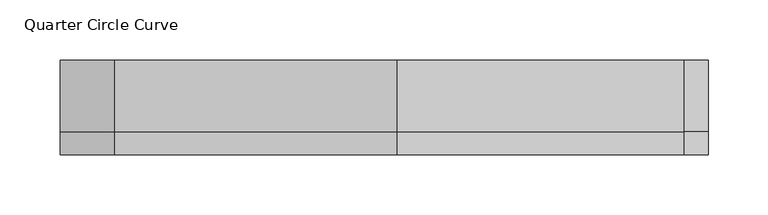
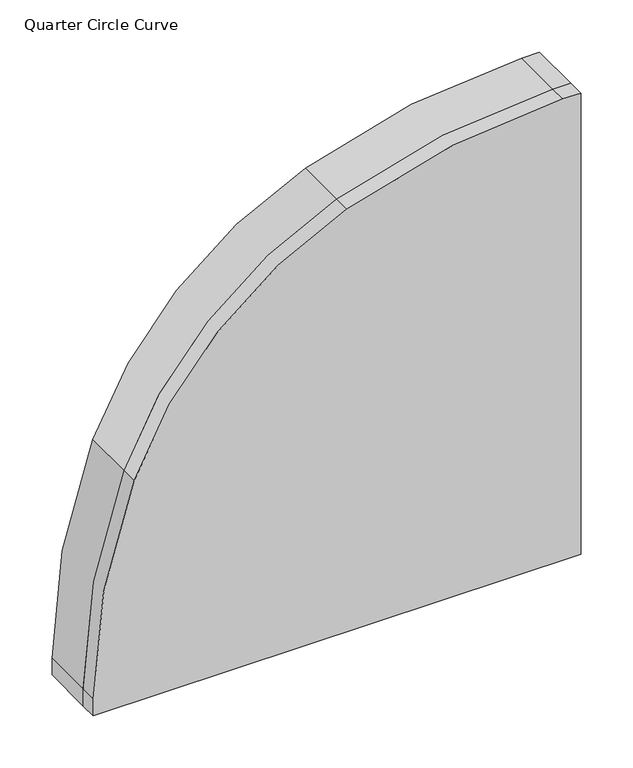
"""IFC4 building model written with IfcOpenShell, lengths in millimetres: furniture geometry, Quarter Circle Curve."""

import ifcopenshell
import ifcopenshell.guid

model = None  # the IFC model being written
_history = None  # IfcOwnerHistory: only IFC2X3 demands one
_inside = {}  # id of a spatial element -> (the spatial element, [elements in it])
_under = {}  # id of a project, library or spatial element -> (it, [spatial elements below it])
_declared = {}  # id of a project -> (the project, [libraries it declares])
_typed = {}  # id of a type object -> (the type object, [elements of that type])
_made_of = {}  # id of a material, layer set ... -> (it, [elements and type objects made of it])


def new_model(schema):
    """Start an empty IFC model of exactly this schema.

    Asked for "IFC4X3", IfcOpenShell would pick the latest addendum, in which some entities
    have other attributes; the version numbers below select the first issue.
    IFC2X3 requires an IfcOwnerHistory on every rooted entity: one is made here for all.
    """
    global model, _history
    if schema == "IFC4X3":
        model = ifcopenshell.file(schema_version=(4, 3, 0, 0))
    else:
        model = ifcopenshell.file(schema=schema)
    _inside.clear()
    _under.clear()
    _declared.clear()
    _typed.clear()
    _made_of.clear()
    _history = None
    if model.schema == "IFC2X3":
        org = make("IfcOrganization", Name="unknown")
        user = make(
            "IfcPersonAndOrganization",
            ThePerson=make("IfcPerson", FamilyName="unknown"),
            TheOrganization=org,
        )
        app = make(
            "IfcApplication",
            ApplicationDeveloper=org,
            Version="unknown",
            ApplicationFullName="unknown",
            ApplicationIdentifier="unknown",
        )
        _history = make(
            "IfcOwnerHistory",
            OwningUser=user,
            OwningApplication=app,
            ChangeAction="ADDED",
            CreationDate=0,
        )
    return model


def make(cls, **values):
    """One entity of the class cls with the attributes given. An attribute that is None is left unset."""
    return model.create_entity(
        cls, **{name: value for name, value in values.items() if value is not None}
    )


def rooted(cls, **values):
    """An entity with a GlobalId (a new one), such as an element, a storey or a relation."""
    return make(cls, GlobalId=ifcopenshell.guid.new(), OwnerHistory=_history, **values)


def si_unit(unit_type, name, prefix=None):
    """IfcSIUnit, for example si_unit("LENGTHUNIT", "METRE", prefix="MILLI")."""
    return make("IfcSIUnit", UnitType=unit_type, Prefix=prefix, Name=name)


def assignment(units):
    """IfcUnitAssignment: the units of a project."""
    return None if units is None else make("IfcUnitAssignment", Units=units)


def point(xyz):
    """IfcCartesianPoint."""
    return None if xyz is None else make("IfcCartesianPoint", Coordinates=xyz)


def direction(xyz):
    """IfcDirection."""
    return None if xyz is None else make("IfcDirection", DirectionRatios=xyz)


def frame(location, z_axis=None, x_axis=None):
    """IfcAxis2Placement3D, a coordinate frame: its origin and axes. An axis left out is left unset."""
    return make(
        "IfcAxis2Placement3D",
        Location=point(location),
        Axis=direction(z_axis),
        RefDirection=direction(x_axis),
    )


def frame_2d(location, x_axis=None):
    """IfcAxis2Placement2D, a coordinate frame in the plane: its origin and x axis."""
    return make(
        "IfcAxis2Placement2D", Location=point(location), RefDirection=direction(x_axis)
    )


def origin():
    """The frame at (0, 0, 0) with its axes left unset."""
    return frame((0.0, 0.0, 0.0))


def place(relative_to, where):
    """IfcLocalPlacement: puts the frame where relative to a parent placement (None: the world)."""
    return make(
        "IfcLocalPlacement", PlacementRelTo=relative_to, RelativePlacement=where
    )


def context(
    kind, dimensions, precision=None, world=None, true_north=None, identifier=None
):
    """IfcGeometricRepresentationContext, for example the 3D "Model" context."""
    return make(
        "IfcGeometricRepresentationContext",
        ContextIdentifier=identifier,
        ContextType=kind,
        CoordinateSpaceDimension=dimensions,
        Precision=precision,
        WorldCoordinateSystem=world,
        TrueNorth=true_north,
    )


def project(units=None, contexts=None):
    """IfcProject with its units and contexts."""
    return rooted(
        "IfcProject",
        Name="project",
        RepresentationContexts=contexts,
        UnitsInContext=assignment(units),
    )


def spatial(cls, under=None, at=None, **own):
    """A site, building, storey or space (cls), placed at a placement, below another one or the project."""
    s = rooted(cls, ObjectPlacement=at, **own)
    if under is not None:
        _under.setdefault(under.id(), (under, []))[1].append(s)
    return s


def polyline(points):
    """IfcPolyline through the points."""
    return make("IfcPolyline", Points=[point(p) for p in points])


def circle_curve(where, radius):
    """IfcCircle in the frame where."""
    return make("IfcCircle", Position=where, Radius=radius)


def ellipse_curve(where, semi_axis1, semi_axis2):
    """IfcEllipse in the frame where."""
    return make(
        "IfcEllipse", Position=where, SemiAxis1=semi_axis1, SemiAxis2=semi_axis2
    )


def trimmed(basis, trim1, trim2, sense, master):
    """IfcTrimmedCurve: the piece of a basis curve between two trims."""
    return make(
        "IfcTrimmedCurve",
        BasisCurve=basis,
        Trim1=trim1,
        Trim2=trim2,
        SenseAgreement=sense,
        MasterRepresentation=master,
    )


def segment(curve, same_sense, transition):
    """IfcCompositeCurveSegment."""
    return make(
        "IfcCompositeCurveSegment",
        Transition=transition,
        SameSense=same_sense,
        ParentCurve=curve,
    )


def composite_curve(segments, self_intersect=None):
    """IfcCompositeCurve: segments joined end to end."""
    return make("IfcCompositeCurve", Segments=segments, SelfIntersect=self_intersect)


def outline(outer, holes=None, kind="AREA"):
    """IfcArbitraryClosedProfileDef: a profile drawn as a closed curve; with holes, ...WithVoids."""
    if holes is None:
        return make("IfcArbitraryClosedProfileDef", ProfileType=kind, OuterCurve=outer)
    return make(
        "IfcArbitraryProfileDefWithVoids",
        ProfileType=kind,
        OuterCurve=outer,
        InnerCurves=holes,
    )


def extrude(swept, where, along, depth):
    """IfcExtrudedAreaSolid: the profile swept, set in the frame where, extruded along a direction by depth."""
    return make(
        "IfcExtrudedAreaSolid",
        SweptArea=swept,
        Position=where,
        ExtrudedDirection=direction(along),
        Depth=depth,
    )


def shape(context_of_items, identifier, shape_type, items):
    """IfcShapeRepresentation: the items that make up one representation, for example the "Body"."""
    return make(
        "IfcShapeRepresentation",
        ContextOfItems=context_of_items,
        RepresentationIdentifier=identifier,
        RepresentationType=shape_type,
        Items=items,
    )


def source(mapping_origin, context_of_items, identifier, shape_type, items):
    """IfcRepresentationMap: a shape defined once, which mapped items show again and again."""
    return make(
        "IfcRepresentationMap",
        MappingOrigin=mapping_origin,
        MappedRepresentation=shape(context_of_items, identifier, shape_type, items),
    )


def transform(
    local_origin,
    x_axis=None,
    y_axis=None,
    z_axis=None,
    scale=None,
    scale2=None,
    scale3=None,
    uniform=True,
):
    """IfcCartesianTransformationOperator3D, or its non-uniform kind. x_axis, y_axis, z_axis: its Axis1, 2, 3."""
    if uniform:
        return make(
            "IfcCartesianTransformationOperator3D",
            Axis1=direction(x_axis),
            Axis2=direction(y_axis),
            LocalOrigin=point(local_origin),
            Scale=scale,
            Axis3=direction(z_axis),
        )
    return make(
        "IfcCartesianTransformationOperator3DnonUniform",
        Axis1=direction(x_axis),
        Axis2=direction(y_axis),
        LocalOrigin=point(local_origin),
        Scale=scale,
        Axis3=direction(z_axis),
        Scale2=scale2,
        Scale3=scale3,
    )


def mapped(mapping_source, mapping_target):
    """IfcMappedItem: shows the shape of a source again, moved by a transform."""
    return make(
        "IfcMappedItem", MappingSource=mapping_source, MappingTarget=mapping_target
    )


def made_of(thing, what):
    """Note that an element or type object is made of a material, layer set ...; save() writes the relation."""
    if what is not None:
        _made_of.setdefault(what.id(), (what, []))[1].append(thing)
    return thing


def element(
    cls,
    number,
    at=None,
    inside=None,
    cuts=None,
    type_object=None,
    material=None,
    context=None,
    identifier="Body",
    shape_type=None,
    held_by="IfcProductDefinitionShape",
    body=None,
    shapes=None,
    **own,
):
    """One element of the class cls, such as IfcWall. Its Tag is "e" and its number.

    at: its placement. inside: the storey or other place that contains it. cuts: it is an
    opening in that element (IfcRelVoidsElement). A single representation is given by context,
    identifier, shape_type and body (its items); several are given by shapes. held_by: the class
    of the entity that holds the representations. save() writes the other relations.
    """
    e = rooted(cls, Tag="e%d" % number, ObjectPlacement=at, **own)
    if body is not None:
        shapes = [shape(context, identifier, shape_type, body)]
    if shapes is not None:
        e.Representation = make(held_by, Representations=shapes)
    if inside is not None:
        _inside.setdefault(inside.id(), (inside, []))[1].append(e)
    if cuts is not None:
        rooted(
            "IfcRelVoidsElement", RelatingBuildingElement=cuts, RelatedOpeningElement=e
        )
    if type_object is not None:
        _typed.setdefault(type_object.id(), (type_object, []))[1].append(e)
    return made_of(e, material)


def aggregate(whole, parts):
    """IfcRelAggregates: a whole, such as a stair, and the parts it consists of."""
    return rooted("IfcRelAggregates", RelatingObject=whole, RelatedObjects=parts)


def save(model, path):
    """Write the relations noted so far, then the file.

    IfcRelAggregates (storeys below a building ...), IfcRelContainedInSpatialStructure (elements
    in a storey), IfcRelDefinesByType, IfcRelAssociatesMaterial and IfcRelDeclares: one each for
    every whole, place, type object, material and project.
    """
    for whole, parts in _under.values():
        aggregate(whole, parts)
    for where, things in _inside.values():
        rooted(
            "IfcRelContainedInSpatialStructure",
            RelatedElements=things,
            RelatingStructure=where,
        )
    for kind, things in _typed.values():
        rooted("IfcRelDefinesByType", RelatedObjects=things, RelatingType=kind)
    for what, things in _made_of.values():
        rooted("IfcRelAssociatesMaterial", RelatedObjects=things, RelatingMaterial=what)
    for by, libraries in _declared.values():
        rooted("IfcRelDeclares", RelatingContext=by, RelatedDefinitions=libraries)
    model.write(path)


def plane_surface(at):
    """IfcPlane: the flat surface through the origin of the frame at, square to its z axis."""
    return make("IfcPlane", Position=at)


def cylinder_surface(at, radius):
    """IfcCylindricalSurface: all points at the distance radius from the z axis of the frame at."""
    return make("IfcCylindricalSurface", Position=at, Radius=radius)


def revolved_surface(curve, axis_point, axis_direction):
    """IfcSurfaceOfRevolution: the curve turned about the line through axis_point along axis_direction."""
    return make(
        "IfcSurfaceOfRevolution",
        SweptCurve=make("IfcArbitraryOpenProfileDef", ProfileType="CURVE", Curve=curve),
        AxisPosition=make("IfcAxis1Placement", Location=point(axis_point), Axis=direction(axis_direction)),
    )


def advanced_brep(points, edges, surfaces, faces):
    """IfcAdvancedBrep: a solid bounded by faces that lie on surfaces and meet in shared edges.

    An edge is (start, end): straight between two places in points (the first is 0);
    or (start, end, curve); or (start, end, curve, False) where it runs against its curve.
    A face is (place in surfaces, loops), or (place, loops, False) where it looks against
    its surface's normal. A loop lists edges by number (the first is 1), with a minus sign
    where the edge is run from its end to its start. The first loop is the outer one.
    """
    corners = [point(p) for p in points]
    vertices = [make("IfcVertexPoint", VertexGeometry=c) for c in corners]
    made = []
    for start, end, *more in edges:
        made.append(
            make(
                "IfcEdgeCurve",
                EdgeStart=vertices[start],
                EdgeEnd=vertices[end],
                EdgeGeometry=more[0] if more else make("IfcPolyline", Points=[corners[start], corners[end]]),
                SameSense=more[1] if len(more) > 1 else True,
            )
        )
    hull = []
    for where, loops, *sense in faces:
        bounds = []
        for j, loop in enumerate(loops):
            ring = [make("IfcOrientedEdge", EdgeElement=made[abs(k) - 1], Orientation=k > 0) for k in loop]
            bounds.append(
                make(
                    "IfcFaceOuterBound" if j == 0 else "IfcFaceBound",
                    Bound=make("IfcEdgeLoop", EdgeList=ring),
                    Orientation=True,
                )
            )
        hull.append(make("IfcAdvancedFace", Bounds=bounds, FaceSurface=surfaces[where], SameSense=sense[0] if sense else True))
    return make("IfcAdvancedBrep", Outer=make("IfcClosedShell", CfsFaces=hull))


def quarter_circle_curve_994fa170(model_context):
    return source(origin(), model_context, "Body", "SolidModel", [
        extrude(outline(composite_curve([segment(polyline([(2040.0, 270.0), (2040.0, 250.2887948)]), True, "CONTINUOUS"), segment(trimmed(circle_curve(frame_2d((1380.0347968, 250.2887948)), 659.9652032), [point((2040.0, 250.2887948))], [point((1994.9355419, 10.5991139))], False, "CARTESIAN"), True, "CONTINUOUS"), segment(trimmed(circle_curve(frame_2d((1608.9383015, 161.0616985)), 414.2859628), [point((1994.9355419, 10.5991139))], [point((1759.4008861, -224.9355419))], False, "CARTESIAN"), True, "CONTINUOUS"), segment(trimmed(circle_curve(frame_2d((1519.7112052, 389.9652032)), 659.9652032), [point((1759.4008861, -224.9355419))], [point((1519.7112052, -270.0))], False, "CARTESIAN"), True, "CONTINUOUS"), segment(polyline([(1519.7112052, -270.0), (1500.0, -270.0), (1500.0, 270.0), (2040.0, 270.0)]), True, "CONTINUOUS")], self_intersect=False)), frame((0.0, -19.0, 0.0), z_axis=(0.0, 1.0, 0.0), x_axis=(0.0, 0.0, 1.0)), (0.0, 0.0, 1.0), 19.0),
        advanced_brep(
        [(118.5203808, 60.0, 1500.0), (118.5203808, 60.0, 1545.0), (225.0, 60.0, 1651.4796192), (270.0, 60.0, 1651.4796192), (270.0, 60.0, 1500.0), (-270.0, 60.0, 1500.0), (-270.0, 60.0, 1519.7112052), (-224.9355419, 60.0, 1759.4008861), (10.5991139, 60.0, 1994.9355419), (250.2887948, 60.0, 2040.0), (270.0, 60.0, 2040.0), (270.0, 60.0, 1915.0), (270.0, 60.0, 1901.0875949), (225.0, 60.0, 1901.0875949), (-131.0875949, 60.0, 1545.0), (-131.0875949, 60.0, 1500.0), (-145.0, 60.0, 1500.0), (270.0, 0.0, 2040.0), (250.2887948, 0.0, 2040.0), (10.5991139, 0.0, 1994.9355419), (-224.9355419, 0.0, 1759.4008861), (-270.0, 0.0, 1519.7112052), (-270.0, 0.0, 1500.0), (270.0, 0.0, 1500.0), (-106.1283636, 57.90888, 1500.0), (0.0, 40.0, 1500.0), (270.0, 40.0, 1770.0), (270.0, 57.90888, 1876.1283636), (0.0, 40.0, 1545.0), (225.0, 40.0, 1770.0), (-106.1283636, 57.90888, 1545.0), (225.0, 57.90888, 1876.1283636)],
        [
            (0, 1),
            (1, 2, circle_curve(frame((225.0, 60.0, 1545.0), z_axis=(0.0, 1.0, 0.0), x_axis=(-1.0, 0.0, 0.0)), 106.4796192)),
            (2, 3),
            (3, 4),
            (4, 0),
            (5, 6),
            (6, 7, circle_curve(frame((389.9652032, 60.0, 1519.7112052), z_axis=(0.0, 1.0, 0.0), x_axis=(1.0, 0.0, 0.0)), 659.9652032)),
            (7, 8, circle_curve(frame((161.0616985, 60.0, 1608.9383015), z_axis=(0.0, 1.0, 0.0), x_axis=(1.0, 0.0, 0.0)), 414.2859628)),
            (8, 9, circle_curve(frame((250.2887948, 60.0, 1380.0347968), z_axis=(0.0, 1.0, 0.0), x_axis=(1.0, 0.0, 0.0)), 659.9652032)),
            (9, 10),
            (10, 11),
            (11, 12),
            (12, 13),
            (13, 14, circle_curve(frame((225.0, 60.0, 1545.0), z_axis=(0.0, -1.0, 0.0), x_axis=(-1.0, 0.0, 0.0)), 356.0875949)),
            (14, 15),
            (15, 16),
            (16, 5),
            (17, 18),
            (18, 19, circle_curve(frame((250.2887948, 0.0, 1380.0347968), z_axis=(0.0, -1.0, 0.0), x_axis=(1.0, 0.0, 0.0)), 659.9652032)),
            (19, 20, circle_curve(frame((161.0616985, 0.0, 1608.9383015), z_axis=(0.0, -1.0, 0.0), x_axis=(1.0, 0.0, 0.0)), 414.2859628)),
            (20, 21, circle_curve(frame((389.9652032, 0.0, 1519.7112052), z_axis=(0.0, -1.0, 0.0), x_axis=(1.0, 0.0, 0.0)), 659.9652032)),
            (21, 22),
            (22, 23),
            (23, 17),
            (9, 18),
            (17, 10),
            (21, 6),
            (5, 22),
            (15, 24, circle_curve(frame((-131.0875949, -90.0, 1500.0), z_axis=(0.0, 0.0, -1.0), x_axis=(-1.0, 0.0, 0.0)), 150.0)),
            (24, 25),
            (25, 0),
            (4, 23),
            (3, 26),
            (26, 27),
            (27, 12, circle_curve(frame((270.0, -90.0, 1901.0875949), z_axis=(1.0, 0.0, 0.0), x_axis=(0.0, 0.0, 1.0)), 150.0)),
            (28, 1),
            (25, 28),
            (29, 2),
            (28, 29, circle_curve(frame((225.0, 40.0, 1545.0), z_axis=(0.0, 1.0, 0.0), x_axis=(-1.0, 0.0, 0.0)), 225.0)),
            (29, 26),
            (20, 7),
            (19, 8),
            (14, 30, circle_curve(frame((-131.0875949, -90.0, 1545.0), z_axis=(0.0, 0.0, -1.0), x_axis=(-1.0, 0.0, 0.0)), 150.0)),
            (30, 24),
            (30, 28),
            (13, 31, circle_curve(frame((225.0, -90.0, 1901.0875949), z_axis=(-1.0, 0.0, 0.0), x_axis=(0.0, 0.0, 1.0)), 150.0)),
            (31, 30, circle_curve(frame((225.0, 57.90888, 1545.0), z_axis=(0.0, -1.0, 0.0), x_axis=(-1.0, 0.0, 0.0)), 331.1283636)),
            (31, 29),
            (27, 31),
        ],
        [
            plane_surface(frame((-270.0, 60.0, 2040.0), z_axis=(0.0, 1.0, 0.0), x_axis=(-1.0, 0.0, 0.0))),
            plane_surface(frame((-270.0, 0.0, 2040.0), z_axis=(0.0, -1.0, 0.0), x_axis=(1.0, 0.0, 0.0))),
            plane_surface(frame((270.0, 60.0, 2040.0), z_axis=(0.0, 0.0, 1.0), x_axis=(0.0, -1.0, 0.0))),
            plane_surface(frame((-270.0, 60.0, 2040.0), z_axis=(-1.0, 0.0, 0.0), x_axis=(0.0, -1.0, 0.0))),
            plane_surface(frame((-270.0, 60.0, 1500.0), z_axis=(0.0, 0.0, -1.0), x_axis=(0.0, -1.0, 0.0))),
            plane_surface(frame((270.0, 60.0, 1500.0), z_axis=(1.0, 0.0, 0.0), x_axis=(0.0, -1.0, 0.0))),
            plane_surface(frame((0.0, 40.0, 1500.0), z_axis=(-0.1663948754508185, 0.9860591997561337, 0.0), x_axis=(0.0, 0.0, 1.0))),
            revolved_surface(polyline([(120.0, 60.2496818, 1545.0), (0.0, 40.0, 1545.0)]), (225.0, 60.0, 1545.0), (0.0, -1.0, 0.0)),
            plane_surface(frame((225.0, 40.0, 1770.0), z_axis=(0.0, 0.9860591997561331, 0.16639487545082166), x_axis=(1.0, 0.0, 0.0))),
            cylinder_surface(frame((389.9652032, -20.0, 1519.7112052), z_axis=(0.0, -1.0, 0.0), x_axis=(1.0, 0.0, 0.0)), 659.9652032),
            cylinder_surface(frame((161.0616985, -20.0, 1608.9383015), z_axis=(0.0, -1.0, 0.0), x_axis=(1.0, 0.0, 0.0)), 414.2859628),
            cylinder_surface(frame((250.2887948, -20.0, 1380.0347968), z_axis=(0.0, -1.0, 0.0), x_axis=(1.0, 0.0, 0.0)), 659.9652032),
            cylinder_surface(frame((-131.0875949, -90.0, 1500.0), z_axis=(0.0, 0.0, 1.0), x_axis=(-1.0, 0.0, 0.0)), 150.0),
            plane_surface(frame((-106.1283636, 57.90888, 1500.0), z_axis=(0.16639487545078646, 0.9860591997561391, 0.0), x_axis=(0.0, 0.0, 1.0))),
            revolved_surface(trimmed(ellipse_curve(frame((-131.0875949, -90.0, 1545.0), z_axis=(0.0, 0.0, 1.0), x_axis=(-1.0, 0.0, 0.0)), 150.0, 150.0), [point((-106.1283636, 57.90888, 1545.0))], [point((-131.0875949, 60.0, 1545.0))], True, "CARTESIAN"), (225.0, 60.0, 1545.0), (0.0, -1.0, 0.0)),
            revolved_surface(polyline([(0.0, 40.0, 1545.0), (-106.1283636, 57.90888, 1545.0)]), (225.0, 60.0, 1545.0), (0.0, -1.0, 0.0)),
            cylinder_surface(frame((225.0, -90.0, 1901.0875949), z_axis=(1.0, 0.0, 0.0), x_axis=(0.0, 0.0, 1.0)), 150.0),
            plane_surface(frame((225.0, 57.90888, 1876.1283636), z_axis=(0.0, 0.9860591997561396, -0.1663948754507833), x_axis=(1.0, 0.0, 0.0))),
        ],
        [
            (0, [[1, 2, 3, 4, 5]]),
            (0, [[6, 7, 8, 9, 10, 11, 12, 13, 14, 15, 16, 17]]),
            (1, [[18, 19, 20, 21, 22, 23, 24]]),
            (2, [[-10, 25, -18, 26]]),
            (3, [[-22, 27, -6, 28]]),
            (4, [[-28, -17, -16, 29, 30, 31, -5, 32, -23]]),
            (5, [[-32, -4, 33, 34, 35, -12, -11, -26, -24]]),
            (6, [[36, -1, -31, 37]]),
            (7, [[38, -2, -36, 39]]),
            (8, [[-33, -3, -38, 40]]),
            (9, [[-7, -27, -21, 41]]),
            (10, [[-20, 42, -8, -41]]),
            (11, [[-19, -25, -9, -42]]),
            (12, [[-29, -15, 43, 44]]),
            (13, [[-30, -44, 45, -37]]),
            (14, [[-14, 46, 47, -43]]),
            (15, [[-45, -47, 48, -39]]),
            (16, [[-13, -35, 49, -46]]),
            (17, [[-48, -49, -34, -40]]),
        ],
    ),
    ])


if __name__ == "__main__":
    model = new_model("IFC4")
    model_context = context("Model", 3, world=origin())
    ifc_project = project(units=[si_unit("LENGTHUNIT", "METRE", prefix="MILLI")], contexts=[model_context])
    site = spatial("IfcSite", under=ifc_project)
    building = spatial("IfcBuilding", under=site)
    placement = place(None, origin())
    quarter_circle_curve_shape = quarter_circle_curve_994fa170(model_context)
    element("IfcFurniture", 1, ObjectType="Quarter Circle Curve", at=placement, inside=building, context=model_context, shape_type="MappedRepresentation", body=[
        mapped(quarter_circle_curve_shape, transform((0.0, 0.0, 0.0), x_axis=(1.0, 0.0, 0.0), y_axis=(0.0, 1.0, 0.0), z_axis=(0.0, 0.0, 1.0))),
    ])
    save(model, "model.ifc")
